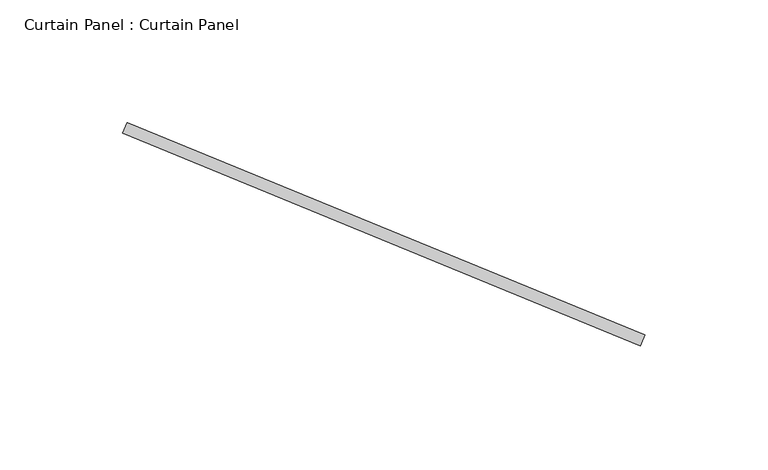
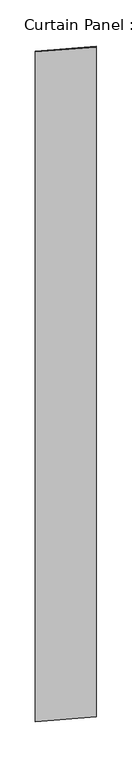
"""IFC4 building model written with IfcOpenShell, lengths in millimetres: plate geometry, Curtain Panel : Curtain Panel."""

from ifc_helpers import new_model, si_unit, origin, origin_with_axes, place, context, project, spatial, polyline, outline, extrude, source, transform, mapped, element, save


def curtain_panel_curtain_panel_eb622407(model_context):
    return source(origin(), model_context, "Body", "SweptSolid", [
        extrude(outline(polyline([(10008.4988681, 93035.8058146), (10219.9596514, 92948.959415), (10218.1503514, 92944.553982), (10006.6895681, 93031.4003816), (10008.4988681, 93035.8058146)])), origin_with_axes(), (0.0, 0.0, 1.0), 3048.0),
    ])


if __name__ == "__main__":
    model = new_model("IFC4")
    model_context = context("Model", 3, world=origin())
    ifc_project = project(units=[si_unit("LENGTHUNIT", "METRE", prefix="MILLI")], contexts=[model_context])
    site = spatial("IfcSite", under=ifc_project)
    building = spatial("IfcBuilding", under=site)
    placement = place(None, origin())
    curtain_panel_curtain_panel_shape = curtain_panel_curtain_panel_eb622407(model_context)
    element("IfcPlate", 1, ObjectType="Curtain Panel : Curtain Panel", at=placement, inside=building, context=model_context, shape_type="MappedRepresentation", body=[
        mapped(curtain_panel_curtain_panel_shape, transform((0.0, 0.0, 0.0), x_axis=(1.0, 0.0, 0.0), y_axis=(0.0, 1.0, 0.0), z_axis=(0.0, 0.0, 1.0))),
    ])
    save(model, "model.ifc")
